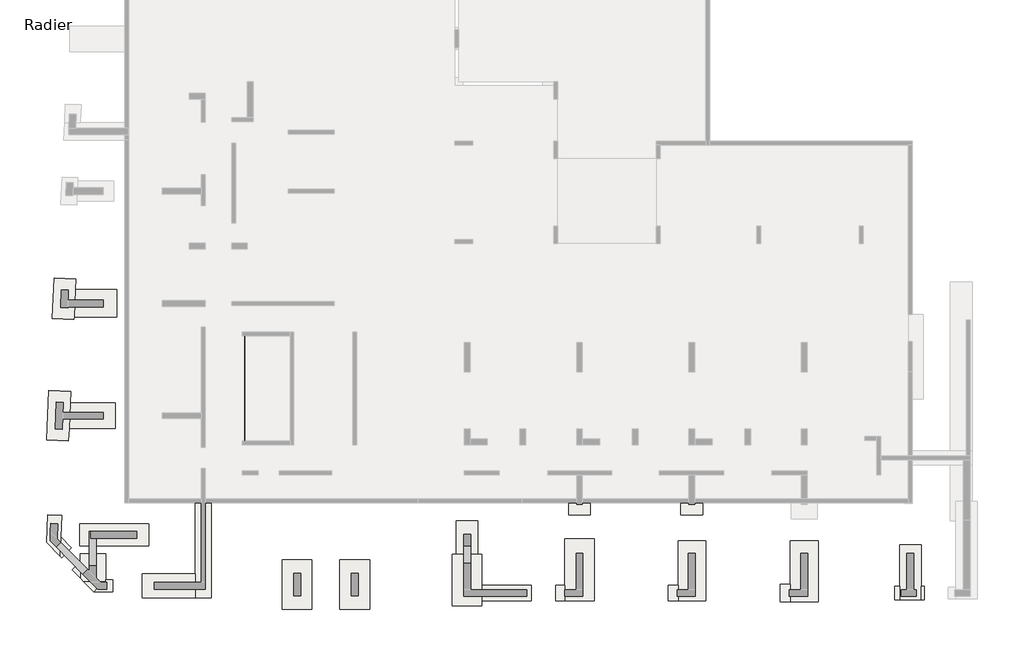
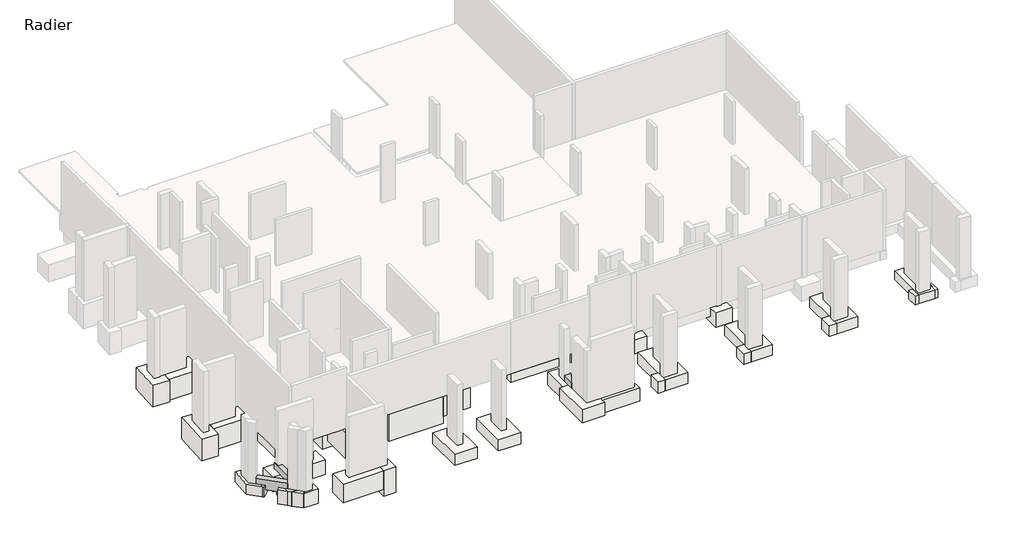
# One storey, part 4 of 5: 49 footings, 8 beams, 2 slabs.
"""IFC4 building model written with IfcOpenShell, lengths in millimetres."""

from ifc_helpers import new_model, si_unit, frame, origin, place, context, project, spatial, polyline, outline, extrude, faceted_brep, element, save

model = new_model("IFC4")

# Units and contexts
model_context = context("Model", 3, world=origin())
ifc_project = project(units=[si_unit("LENGTHUNIT", "METRE", prefix="MILLI")], contexts=[model_context])

# Site, building, storey
site = spatial("IfcSite", under=ifc_project)
building = spatial("IfcBuilding", under=site)
storey = spatial("IfcBuildingStorey", under=building, Name="Radier", Elevation=-3900.0)

# Beams
placement = place(None, origin())
element("IfcBeam", 1, ObjectType="VF. 20/190", at=placement, inside=storey, context=model_context, shape_type="Brep", body=[
    faceted_brep([(-34745.6912908, -6244.0672499, -4050.0), (-34745.6912908, -11559.0672499, -4050.0), (-34745.6912908, -11559.0672499, -5600.0), (-34745.6912908, -11559.0672499, -5750.0), (-34745.6912908, -11559.0672499, -5800.0), (-34745.6912908, -6244.0672499, -5800.0), (-34745.6912908, -6244.0672499, -5750.0), (-34745.6912908, -6244.0672499, -5600.0), (-34945.6912908, -11759.0672499, -5800.0), (-34945.6912908, -6044.0672499, -5800.0), (-34865.6912908, -6044.0672499, -5800.0), (-34865.6912908, -6244.0672499, -5800.0), (-34865.6912908, -11559.0672499, -5800.0), (-34865.6912908, -11759.0672499, -5800.0), (-34945.6912908, -11759.0672499, -4050.0), (-34945.6912908, -6044.0672499, -4050.0), (-34865.6912908, -11759.0672499, -4050.0), (-34865.6912908, -11559.0672499, -4050.0), (-34865.6912908, -6244.0672499, -4050.0), (-34865.6912908, -6044.0672499, -4050.0)], [[[0, 1, 2, 3, 4, 5, 6, 7]], [[8, 9, 10, 11, 5, 4, 12, 13]], [[14, 15, 9, 8]], [[15, 14, 16, 17, 1, 0, 18, 19]], [[9, 15, 19, 10]], [[14, 8, 13, 16]], [[11, 18, 0, 7, 6, 5]], [[18, 11, 10, 19]], [[17, 12, 4, 3, 2, 1]], [[12, 17, 16, 13]]]),
])
element("IfcBeam", 2, ObjectType="VF. 20/40", at=placement, inside=storey, context=model_context, shape_type="SweptSolid", body=[
    extrude(outline(polyline([(-36935.6912908, -11889.0672499), (-36735.6912908, -11889.0672499), (-36735.6912908, -12949.0672499), (-36935.6912908, -12949.0672499), (-36935.6912908, -11889.0672499)])), frame((0.0, 0.0, -4300.0), z_axis=(0.0, 0.0, 1.0), x_axis=(1.0, 0.0, 0.0)), (0.0, 0.0, 1.0), 250.0),
])
element("IfcBeam", 3, ObjectType="VF. 20/40", at=placement, inside=storey, context=model_context, shape_type="SweptSolid", body=[
    extrude(outline(polyline([(-32995.6912908, -13079.0672499), (-32995.6912908, -13279.0672499), (-34055.6912908, -13279.0672499), (-34055.6912908, -13079.0672499), (-32995.6912908, -13079.0672499)])), frame((0.0, 0.0, -4300.0), z_axis=(0.0, 0.0, 1.0), x_axis=(1.0, 0.0, 0.0)), (0.0, 0.0, 1.0), 250.0),
])
element("IfcBeam", 4, ObjectType="VF. 20/40", at=placement, inside=storey, context=model_context, shape_type="SweptSolid", body=[
    extrude(outline(polyline([(-35405.6912908, -4489.0672499), (-35405.6912908, -4689.0672499), (-36735.6912908, -4689.0672499), (-36735.6912908, -4489.0672499), (-35405.6912908, -4489.0672499)])), frame((0.0, 0.0, -4300.0), z_axis=(0.0, 0.0, 1.0), x_axis=(1.0, 0.0, 0.0)), (0.0, 0.0, 1.0), 250.0),
])
element("IfcBeam", 5, ObjectType="VF. 30/40", at=placement, inside=storey, context=model_context, shape_type="SweptSolid", body=[
    extrude(outline(polyline([(-35405.6912908, -1544.0672499), (-35405.6912908, -1844.0672499), (-36735.6912908, -1844.0672499), (-36735.6912908, -1544.0672499), (-35405.6912908, -1544.0672499)])), frame((0.0, 0.0, -4300.0), z_axis=(0.0, 0.0, 1.0), x_axis=(1.0, 0.0, 0.0)), (0.0, 0.0, 1.0), 250.0),
])
element("IfcBeam", 6, ObjectType="VF. 35/40", at=placement, inside=storey, context=model_context, shape_type="SweptSolid", body=[
    extrude(outline(polyline([(-42250.6912908, -17889.0672499), (-42600.6912908, -17889.0672499), (-42600.6912908, -16144.0672499), (-42525.6912908, -16144.0672499), (-42525.6912908, -16494.0672499), (-42250.6912908, -16494.0672499), (-42250.6912908, -17889.0672499)])), frame((0.0, 0.0, -4300.0), z_axis=(0.0, 0.0, 1.0), x_axis=(1.0, 0.0, 0.0)), (0.0, 0.0, 1.0), 400.0),
])
element("IfcBeam", 7, ObjectType="VF. 35/40", at=placement, inside=storey, context=model_context, shape_type="SweptSolid", body=[
    extrude(outline(polyline([(-23650.6912908, -16879.0672499), (-23300.6912908, -16879.0672499), (-23300.6912908, -17759.0672499), (-23650.6912908, -17759.0672499), (-23650.6912908, -16879.0672499)])), frame((0.0, 0.0, -4300.0), z_axis=(0.0, 0.0, 1.0), x_axis=(1.0, 0.0, 0.0)), (0.0, 0.0, 1.0), 400.0),
])
element("IfcBeam", 8, ObjectType="VF. 35/70", at=placement, inside=storey, context=model_context, shape_type="Brep", body=[
    faceted_brep([(-42683.933067, -18072.0990181, -3900.0), (-42932.9248767, -18318.0727539, -3900.0), (-42932.9248767, -18318.0727539, -4300.0), (-42683.933067, -18072.0990181, -4300.0), (-44296.322155, -16937.9467228, -3900.0), (-44047.3303452, -16691.972987, -3900.0), (-44047.3303452, -16691.972987, -4300.0), (-44296.322155, -16937.9467228, -4300.0), (-43888.1193718, -17351.1581147, -4300.0), (-43888.1193718, -17351.1581147, -4600.0), (-43312.5552464, -17933.7843563, -4600.0), (-43312.5552464, -17933.7843563, -4300.0), (-43075.6912908, -17675.5339587, -4600.0), (-43075.6912908, -17699.7914708, -4600.0), (-43639.127562, -17105.1843789, -4600.0), (-43075.6912908, -17675.5339587, -4300.0), (-43639.127562, -17105.1843789, -4300.0), (-43075.6912908, -17699.7914708, -4300.0)], [[[0, 1, 2, 3]], [[4, 5, 6, 7]], [[1, 4, 7, 8, 9, 10, 11, 2]], [[12, 13, 10, 9, 14]], [[5, 0, 3, 15, 12, 14, 16, 6]], [[1, 0, 5, 4]], [[3, 2, 11, 17, 15]], [[12, 15, 17, 13]], [[16, 8, 7, 6]], [[17, 11, 10, 13]], [[8, 16, 14, 9]]]),
])

# Footings
element("IfcFooting", 9, at=placement, inside=storey, context=model_context, shape_type="Brep", body=[
    faceted_brep([(-33870.6912908, -2444.0672499, -4300.0), (-33870.6912908, -2444.0672499, -6200.0), (-33870.6912908, -944.0672499, -6200.0), (-33870.6912908, -944.0672499, -4300.0), (-38270.6912908, -2444.0672499, -6200.0), (-38270.6912908, -2444.0672499, -4300.0), (-38270.6912908, -944.0672499, -4300.0), (-38270.6912908, -944.0672499, -6200.0), (-34605.6912908, -944.0672499, -4300.0), (-34605.6912908, -994.0672499, -4300.0), (-36005.6912908, -994.0672499, -4300.0), (-36005.6912908, -944.0672499, -4300.0), (-36005.6912908, -944.0672499, -5700.0), (-34605.6912908, -944.0672499, -5700.0), (-36005.6912908, -994.0672499, -5700.0), (-34605.6912908, -994.0672499, -5700.0)], [[[0, 1, 2, 3]], [[4, 5, 6, 7]], [[5, 0, 3, 8, 9, 10, 11, 6]], [[1, 0, 5, 4]], [[2, 1, 4, 7]], [[3, 2, 7, 6, 11, 12, 13, 8]], [[14, 10, 9, 15]], [[10, 14, 12, 11]], [[14, 15, 13, 12]], [[15, 9, 8, 13]]]),
])
element("IfcFooting", 10, at=placement, inside=storey, context=model_context, shape_type="SweptSolid", body=[
    extrude(outline(polyline([(-43381.4763941, -5289.0672499), (-43317.9655169, -3889.0672499), (-41225.3123193, -3889.0672499), (-41225.3123193, -5289.0672499), (-43381.4763941, -5289.0672499)])), frame((0.0, 0.0, -5800.0), z_axis=(0.0, 0.0, 1.0), x_axis=(1.0, 0.0, 0.0)), (0.0, 0.0, 1.0), 1500.0),
])
element("IfcFooting", 11, at=placement, inside=storey, context=model_context, shape_type="Brep", body=[
    faceted_brep([(-36735.6912908, -3739.0672499, -4300.0), (-36735.6912908, -5439.0672499, -4300.0), (-36735.6912908, -5439.0672499, -6300.0), (-36735.6912908, -3739.0672499, -6300.0), (-39855.6912908, -5439.0672499, -4300.0), (-39855.6912908, -3739.0672499, -4300.0), (-39855.6912908, -3739.0672499, -6300.0), (-39855.6912908, -5439.0672499, -6300.0), (-37585.6912908, -5439.0672499, -4300.0), (-37585.6912908, -5439.0672499, -6300.0), (-37585.6912908, -3739.0672499, -6300.0)], [[[0, 1, 2, 3]], [[4, 5, 6, 7]], [[0, 5, 4, 8, 1]], [[2, 1, 8, 4, 7, 9]], [[3, 2, 9, 7, 6, 10]], [[0, 3, 10, 6, 5]]]),
])
element("IfcFooting", 12, at=placement, inside=storey, context=model_context, shape_type="Brep", body=[
    faceted_brep([(-37585.6912908, -3739.0672499, -6800.0), (-37585.6912908, -5439.0672499, -6800.0), (-37585.6912908, -5439.0672499, -6600.0), (-37585.6912908, -5439.0672499, -6300.0), (-37585.6912908, -3739.0672499, -6300.0), (-30065.6912908, -3739.0672499, -6800.0), (-30065.6912908, -3739.0672499, -6300.0), (-30065.6912908, -3739.0672499, -4300.0), (-30065.6912908, -5439.0672499, -4300.0), (-30065.6912908, -5439.0672499, -6800.0), (-36735.6912908, -3739.0672499, -4300.0), (-36735.6912908, -4489.0672499, -4300.0), (-36735.6912908, -4689.0672499, -4300.0), (-36735.6912908, -5439.0672499, -4300.0), (-36085.6912908, -5439.0672499, -4300.0), (-36735.6912908, -3739.0672499, -6300.0), (-36735.6912908, -5439.0672499, -6300.0)], [[[0, 1, 2, 3, 4]], [[5, 6, 7, 8, 9]], [[8, 7, 10, 11, 12, 13, 14]], [[7, 6, 5, 0, 4, 15, 10]], [[1, 0, 5, 9]], [[9, 8, 14, 13, 16, 3, 2, 1]], [[15, 16, 13, 12, 11, 10]], [[16, 15, 4, 3]]]),
])
element("IfcFooting", 13, at=placement, inside=storey, context=model_context, shape_type="Brep", body=[
    faceted_brep([(-36085.6912908, -12999.0672499, -4300.0), (-36435.6912908, -12999.0672499, -4300.0), (-37235.6912908, -12999.0672499, -4300.0), (-37585.6912908, -12999.0672499, -4300.0), (-37585.6912908, -12999.0672499, -6600.0), (-36085.6912908, -12999.0672499, -6600.0), (-37585.6912908, -5439.0672499, -4300.0), (-36735.6912908, -5439.0672499, -4300.0), (-36085.6912908, -5439.0672499, -4300.0), (-36085.6912908, -5439.0672499, -6600.0), (-37585.6912908, -5439.0672499, -6600.0), (-37585.6912908, -5439.0672499, -6300.0), (-37585.6912908, -9529.0672499, -4300.0), (-37585.6912908, -11029.0672499, -4300.0)], [[[0, 1, 2, 3, 4, 5]], [[6, 7, 8, 9, 10, 11]], [[0, 8, 7, 6, 12, 13, 3, 2, 1]], [[4, 3, 13, 12, 6, 11, 10]], [[5, 4, 10, 9]], [[0, 5, 9, 8]]]),
])
element("IfcFooting", 14, at=placement, inside=storey, context=model_context, shape_type="SweptSolid", body=[
    extrude(outline(polyline([(-39555.6912908, -11029.0672499), (-39555.6912908, -9529.0672499), (-37585.6912908, -9529.0672499), (-37585.6912908, -11029.0672499), (-39555.6912908, -11029.0672499)])), frame((0.0, 0.0, -6100.0), z_axis=(0.0, 0.0, 1.0), x_axis=(1.0, 0.0, 0.0)), (0.0, 0.0, 1.0), 1800.0),
])
element("IfcFooting", 15, at=placement, inside=storey, context=model_context, shape_type="SweptSolid", body=[
    extrude(outline(polyline([(-43637.3344995, -10929.0672499), (-43578.3601135, -9629.0672499), (-41283.4386703, -9629.0672499), (-41283.4386703, -10929.0672499), (-43637.3344995, -10929.0672499)])), frame((0.0, 0.0, -5800.0), z_axis=(0.0, 0.0, 1.0), x_axis=(1.0, 0.0, 0.0)), (0.0, 0.0, 1.0), 1500.0),
])
element("IfcFooting", 16, at=placement, inside=storey, context=model_context, shape_type="Brep", body=[
    faceted_brep([(-28265.6912908, -13979.0672499, -4300.0), (-30065.6912908, -13979.0672499, -4300.0), (-30065.6912908, -13979.0672499, -6300.0), (-28265.6912908, -13979.0672499, -6300.0), (-30065.6912908, -3739.0672499, -4300.0), (-28265.6912908, -3739.0672499, -4300.0), (-28265.6912908, -3739.0672499, -6300.0), (-30065.6912908, -3739.0672499, -6300.0), (-30065.6912908, -5439.0672499, -4300.0), (-30065.6912908, -12379.0672499, -4300.0)], [[[0, 1, 2, 3]], [[4, 5, 6, 7]], [[0, 5, 4, 8, 9, 1]], [[2, 1, 9, 8, 4, 7]], [[3, 2, 7, 6]], [[0, 3, 6, 5]]]),
])
element("IfcFooting", 17, at=placement, inside=storey, context=model_context, shape_type="Brep", body=[
    faceted_brep([(-30065.6912908, -12379.0672499, -4300.0), (-30065.6912908, -13979.0672499, -4300.0), (-30065.6912908, -13979.0672499, -6300.0), (-30065.6912908, -13979.0672499, -6800.0), (-30065.6912908, -12379.0672499, -6800.0), (-33715.6912908, -13979.0672499, -4300.0), (-33715.6912908, -13629.0672499, -4300.0), (-33715.6912908, -12729.0672499, -4300.0), (-33715.6912908, -12379.0672499, -4300.0), (-33715.6912908, -12379.0672499, -6800.0), (-33715.6912908, -12729.0672499, -6800.0), (-33715.6912908, -13629.0672499, -6800.0), (-33715.6912908, -13979.0672499, -6800.0)], [[[0, 1, 2, 3, 4]], [[5, 6, 7, 8, 9, 10, 11, 12]], [[0, 8, 7, 6, 5, 1]], [[3, 2, 1, 5, 12]], [[4, 3, 12, 11, 10, 9]], [[0, 4, 9, 8]]]),
])
element("IfcFooting", 18, at=placement, inside=storey, context=model_context, shape_type="SweptSolid", body=[
    extrude(outline(polyline([(-35215.6912908, -13629.0672499), (-35215.6912908, -12729.0672499), (-33715.6912908, -12729.0672499), (-33715.6912908, -13629.0672499), (-35215.6912908, -13629.0672499)])), frame((0.0, 0.0, -6800.0), z_axis=(0.0, 0.0, 1.0), x_axis=(1.0, 0.0, 0.0)), (0.0, 0.0, 1.0), 2500.0),
])
element("IfcFooting", 19, at=placement, inside=storey, context=model_context, shape_type="Brep", body=[
    faceted_brep([(-35245.6912908, -6794.0672499, -5800.0), (-35245.6912908, -5494.0672499, -5800.0), (-35245.6912908, -5494.0672499, -6800.0), (-35245.6912908, -6794.0672499, -6800.0), (-32345.6912908, -5494.0672499, -5800.0), (-32345.6912908, -6794.0672499, -5800.0), (-32345.6912908, -6794.0672499, -6800.0), (-32345.6912908, -5494.0672499, -6800.0), (-33045.6912908, -6794.0672499, -5800.0), (-33045.6912908, -6794.0672499, -6800.0)], [[[0, 1, 2, 3]], [[4, 5, 6, 7]], [[0, 8, 5, 4, 1]], [[2, 1, 4, 7]], [[3, 2, 7, 6, 9]], [[0, 3, 9, 6, 5, 8]]]),
])
element("IfcFooting", 20, at=placement, inside=storey, context=model_context, shape_type="Brep", body=[
    faceted_brep([(-31645.6912908, -5494.0672499, -5800.0), (-31645.6912908, -5494.0672499, -6800.0), (-32345.6912908, -5494.0672499, -6800.0), (-32345.6912908, -5494.0672499, -5800.0), (-31645.6912908, -12059.0672499, -5800.0), (-32345.6912908, -6794.0672499, -5800.0), (-33045.6912908, -6794.0672499, -5800.0), (-33045.6912908, -11259.0672499, -5800.0), (-33045.6912908, -12059.0672499, -5800.0), (-33045.6912908, -12059.0672499, -6800.0), (-33045.6912908, -6794.0672499, -6800.0), (-33045.6912908, -11259.0672499, -6800.0), (-31645.6912908, -12059.0672499, -6800.0), (-32345.6912908, -6794.0672499, -6800.0)], [[[0, 1, 2, 3]], [[4, 0, 3, 5, 6, 7, 8]], [[9, 8, 7, 6, 10, 11]], [[1, 12, 9, 11, 10, 13, 2]], [[1, 0, 4, 12]], [[13, 5, 3, 2]], [[5, 13, 10, 6]], [[4, 8, 9, 12]]]),
])
element("IfcFooting", 21, at=placement, inside=storey, context=model_context, shape_type="SweptSolid", body=[
    extrude(outline(polyline([(-35245.6912908, -12059.0672499), (-35245.6912908, -11259.0672499), (-33045.6912908, -11259.0672499), (-33045.6912908, -12059.0672499), (-35245.6912908, -12059.0672499)])), frame((0.0, 0.0, -6800.0), z_axis=(0.0, 0.0, 1.0), x_axis=(1.0, 0.0, 0.0)), (0.0, 0.0, 1.0), 1000.0),
])
element("IfcFooting", 22, at=placement, inside=storey, context=model_context, shape_type="Brep", body=[
    faceted_brep([(-41775.6912908, -18690.656629, -5300.0), (-41775.6912908, -18690.656629, -4300.0), (-41928.2567405, -18690.656629, -4300.0), (-42881.1326203, -18690.656629, -4300.0), (-42881.1326203, -18690.656629, -5300.0), (-41928.2567405, -18690.656629, -5300.0), (-43075.6912908, -17289.0672499, -5300.0), (-43075.6912908, -17289.0672499, -4300.0), (-41775.6912908, -17289.0672499, -4300.0), (-41775.6912908, -17289.0672499, -5300.0), (-41775.6912908, -18599.0672499, -4300.0), (-43075.6912908, -17675.5339587, -4300.0), (-43075.6912908, -17699.7914708, -4300.0), (-43075.6912908, -18493.7107424, -4300.0), (-43075.6912908, -17699.7914708, -5300.0), (-43075.6912908, -18493.7107424, -5300.0), (-41775.6912908, -18599.0672499, -5300.0)], [[[0, 1, 2, 3, 4, 5]], [[6, 7, 8, 9]], [[1, 10, 8, 7, 11, 12, 13, 3, 2]], [[7, 6, 14, 15, 13, 12, 11]], [[6, 9, 16, 0, 5, 4, 15, 14]], [[1, 0, 16, 9, 8, 10]], [[4, 3, 13, 15]]]),
])
element("IfcFooting", 23, at=placement, inside=storey, context=model_context, shape_type="Brep", body=[
    faceted_brep([(-37235.6912908, -19499.0672499, -4300.0), (-36435.6912908, -19499.0672499, -4300.0), (-36435.6912908, -12999.0672499, -4300.0), (-37235.6912908, -12999.0672499, -4300.0), (-37235.6912908, -18299.0672499, -4300.0), (-37235.6912908, -19499.0672499, -6100.0), (-37235.6912908, -19499.0672499, -5600.0), (-37235.6912908, -12999.0672499, -6100.0), (-36435.6912908, -19499.0672499, -6100.0), (-36435.6912908, -12999.0672499, -6100.0)], [[[0, 1, 2, 3, 4]], [[5, 6, 0, 4, 3, 7]], [[8, 5, 7, 9]], [[1, 8, 9, 2]], [[1, 0, 6, 5, 8]], [[3, 2, 9, 7]]]),
])
element("IfcFooting", 24, at=placement, inside=storey, context=model_context, shape_type="SweptSolid", body=[
    extrude(outline(polyline([(-31335.6912908, -20094.0672499), (-32835.6912908, -20094.0672499), (-32835.6912908, -17594.0672499), (-31335.6912908, -17594.0672499), (-31335.6912908, -20094.0672499)])), frame((0.0, 0.0, -5100.0), z_axis=(0.0, 0.0, 1.0), x_axis=(1.0, 0.0, 0.0)), (0.0, 0.0, 1.0), 800.0),
])
element("IfcFooting", 25, at=placement, inside=storey, context=model_context, shape_type="SweptSolid", body=[
    extrude(outline(polyline([(-28415.6912908, -20094.0672499), (-29915.6912908, -20094.0672499), (-29915.6912908, -17594.0672499), (-28415.6912908, -17594.0672499), (-28415.6912908, -20094.0672499)])), frame((0.0, 0.0, -5100.0), z_axis=(0.0, 0.0, 1.0), x_axis=(1.0, 0.0, 0.0)), (0.0, 0.0, 1.0), 800.0),
])
element("IfcFooting", 26, at=placement, inside=storey, context=model_context, shape_type="Brep", body=[
    faceted_brep([(-22725.6912908, -19919.0672499, -4300.0), (-24225.6912908, -19919.0672499, -4300.0), (-24225.6912908, -19919.0672499, -5200.0), (-22725.6912908, -19919.0672499, -5200.0), (-24225.6912908, -17319.0672499, -4300.0), (-24025.6912908, -17319.0672499, -4300.0), (-22925.6912908, -17319.0672499, -4300.0), (-22725.6912908, -17319.0672499, -4300.0), (-22725.6912908, -17319.0672499, -5200.0), (-22925.6912908, -17319.0672499, -5200.0), (-24025.6912908, -17319.0672499, -5200.0), (-24225.6912908, -17319.0672499, -5200.0), (-22725.6912908, -19669.0672499, -4300.0), (-22725.6912908, -18869.0672499, -4300.0), (-22725.6912908, -18869.0672499, -5200.0), (-22725.6912908, -19669.0672499, -5200.0)], [[[0, 1, 2, 3]], [[4, 5, 6, 7, 8, 9, 10, 11]], [[0, 12, 13, 7, 6, 5, 4, 1]], [[2, 1, 4, 11]], [[3, 2, 11, 10, 9, 8, 14, 15]], [[0, 3, 15, 14, 8, 7, 13, 12]]]),
])
element("IfcFooting", 27, at=placement, inside=storey, context=model_context, shape_type="SweptSolid", body=[
    extrude(outline(polyline([(-22925.6912908, -17319.0672499), (-24025.6912908, -17319.0672499), (-24025.6912908, -15619.0672499), (-22925.6912908, -15619.0672499), (-22925.6912908, -17319.0672499)])), frame((0.0, 0.0, -5200.0), z_axis=(0.0, 0.0, 1.0), x_axis=(1.0, 0.0, 0.0)), (0.0, 0.0, 1.0), 900.0),
])
element("IfcFooting", 28, at=placement, inside=storey, context=model_context, shape_type="Brep", body=[
    faceted_brep([(-18535.6912908, -16519.0672499, -4300.0), (-17035.6912908, -16519.0672499, -4300.0), (-17035.6912908, -16519.0672499, -5100.0), (-18535.6912908, -16519.0672499, -5100.0), (-17035.6912908, -19669.0672499, -4300.0), (-18535.6912908, -18869.0672499, -4300.0), (-18535.6912908, -19669.0672499, -4300.0), (-18535.6912908, -19669.0672499, -5100.0), (-18535.6912908, -18869.0672499, -5100.0), (-17035.6912908, -19669.0672499, -5100.0)], [[[0, 1, 2, 3]], [[4, 1, 0, 5, 6]], [[7, 6, 5, 0, 3, 8]], [[9, 7, 8, 3, 2]], [[4, 9, 2, 1]], [[4, 6, 7, 9]]]),
])
element("IfcFooting", 29, at=placement, inside=storey, context=model_context, shape_type="Brep", body=[
    faceted_brep([(-12795.6912908, -16619.0672499, -4300.0), (-11395.6912908, -16619.0672499, -4300.0), (-11395.6912908, -16619.0672499, -5050.0), (-12795.6912908, -16619.0672499, -5050.0), (-11395.6912908, -19669.0672499, -4300.0), (-12795.6912908, -18869.0672499, -4300.0), (-12795.6912908, -19669.0672499, -4300.0), (-12795.6912908, -19669.0672499, -5050.0), (-12795.6912908, -18869.0672499, -5050.0), (-11395.6912908, -19669.0672499, -5050.0)], [[[0, 1, 2, 3]], [[4, 1, 0, 5, 6]], [[7, 6, 5, 0, 3, 8]], [[9, 7, 8, 3, 2]], [[4, 9, 2, 1]], [[4, 6, 7, 9]]]),
])
element("IfcFooting", 30, at=placement, inside=storey, context=model_context, shape_type="Brep", body=[
    faceted_brep([(-7105.6912908, -16619.0672499, -4300.0), (-5705.6912908, -16619.0672499, -4300.0), (-5705.6912908, -16619.0672499, -5050.0), (-7105.6912908, -16619.0672499, -5050.0), (-5705.6912908, -19719.0672499, -4300.0), (-7105.6912908, -18819.0672499, -4300.0), (-7105.6912908, -19719.0672499, -4300.0), (-7105.6912908, -19719.0672499, -5050.0), (-7105.6912908, -18819.0672499, -5050.0), (-5705.6912908, -19719.0672499, -5050.0)], [[[0, 1, 2, 3]], [[4, 1, 0, 5, 6]], [[7, 6, 5, 0, 3, 8]], [[9, 7, 8, 3, 2]], [[4, 9, 2, 1]], [[4, 6, 7, 9]]]),
])
element("IfcFooting", 31, at=placement, inside=storey, context=model_context, shape_type="Brep", body=[
    faceted_brep([(-1575.6912908, -16819.0672499, -4300.0), (-475.6912908, -16819.0672499, -4300.0), (-475.6912908, -16819.0672499, -4900.0), (-1575.6912908, -16819.0672499, -4900.0), (-475.6912908, -19619.0672499, -4300.0), (-475.6912908, -18919.0672499, -4300.0), (-1575.6912908, -18919.0672499, -4300.0), (-1575.6912908, -19619.0672499, -4300.0), (-1575.6912908, -19619.0672499, -4900.0), (-1575.6912908, -18919.0672499, -4900.0), (-475.6912908, -19619.0672499, -4900.0), (-475.6912908, -18919.0672499, -4900.0)], [[[0, 1, 2, 3]], [[4, 5, 1, 0, 6, 7]], [[8, 7, 6, 0, 3, 9]], [[10, 8, 9, 3, 2, 11]], [[4, 10, 11, 2, 1, 5]], [[4, 7, 8, 10]]]),
])
element("IfcFooting", 32, at=placement, inside=storey, context=model_context, shape_type="SweptSolid", body=[
    extrude(outline(polyline([(-21183.1912908, -12529.0672499), (-21183.1912908, -13829.0672499), (-24293.1912908, -13829.0672499), (-24293.1912908, -12529.0672499), (-21183.1912908, -12529.0672499)])), frame((0.0, 0.0, -5300.0), z_axis=(0.0, 0.0, 1.0), x_axis=(1.0, 0.0, 0.0)), (0.0, 0.0, 1.0), 1000.0),
])
element("IfcFooting", 33, at=placement, inside=storey, context=model_context, shape_type="Brep", body=[
    faceted_brep([(-15635.6912908, -12629.0672499, -4300.0), (-15635.6912908, -13729.0672499, -4300.0), (-15635.6912908, -13729.0672499, -5300.0), (-15635.6912908, -12629.0672499, -5300.0), (-19910.6912908, -13729.0672499, -4300.0), (-19910.6912908, -12629.0672499, -4300.0), (-19910.6912908, -12629.0672499, -5300.0), (-19910.6912908, -13729.0672499, -5300.0), (-18335.6912908, -13729.0672499, -4300.0), (-17235.6912908, -13729.0672499, -4300.0), (-18335.6912908, -13729.0672499, -5300.0), (-17235.6912908, -13729.0672499, -5300.0)], [[[0, 1, 2, 3]], [[4, 5, 6, 7]], [[0, 5, 4, 8, 9, 1]], [[2, 1, 9, 8, 4, 7, 10, 11]], [[3, 2, 11, 10, 7, 6]], [[0, 3, 6, 5]]]),
])
element("IfcFooting", 34, at=placement, inside=storey, context=model_context, shape_type="Brep", body=[
    faceted_brep([(-18335.6912908, -15314.0672499, -4300.0), (-18335.6912908, -15314.0672499, -5300.0), (-17235.6912908, -15314.0672499, -5300.0), (-17235.6912908, -15314.0672499, -4300.0), (-17235.6912908, -14699.0672499, -4300.0), (-17235.6912908, -14299.0672499, -4300.0), (-17235.6912908, -13729.0672499, -4300.0), (-18335.6912908, -13729.0672499, -4300.0), (-18335.6912908, -14299.0672499, -4300.0), (-18335.6912908, -14699.0672499, -4300.0), (-18335.6912908, -13729.0672499, -5300.0), (-17235.6912908, -13729.0672499, -5300.0)], [[[0, 1, 2, 3]], [[0, 3, 4, 5, 6, 7, 8, 9]], [[1, 0, 9, 8, 7, 10]], [[2, 1, 10, 11]], [[3, 2, 11, 6, 5, 4]], [[7, 6, 11, 10]]]),
])
element("IfcFooting", 35, at=placement, inside=storey, context=model_context, shape_type="Brep", body=[
    faceted_brep([(-11545.6912908, -15314.0672499, -4300.0), (-12645.6912908, -15314.0672499, -4300.0), (-12645.6912908, -15314.0672499, -5300.0), (-11545.6912908, -15314.0672499, -5300.0), (-11545.6912908, -14699.0672499, -4300.0), (-11545.6912908, -14299.0672499, -4300.0), (-11545.6912908, -13679.0672499, -4300.0), (-11545.6912908, -12679.0672499, -4300.0), (-12645.6912908, -12679.0672499, -4300.0), (-12645.6912908, -13679.0672499, -4300.0), (-12645.6912908, -14299.0672499, -4300.0), (-12645.6912908, -14699.0672499, -4300.0), (-12645.6912908, -12679.0672499, -5300.0), (-12645.6912908, -13679.0672499, -5300.0), (-11545.6912908, -12679.0672499, -5300.0), (-11545.6912908, -13679.0672499, -5300.0)], [[[0, 1, 2, 3]], [[0, 4, 5, 6, 7, 8, 9, 10, 11, 1]], [[2, 1, 11, 10, 9, 8, 12, 13]], [[3, 2, 13, 12, 14, 15]], [[0, 3, 15, 14, 7, 6, 5, 4]], [[8, 7, 14, 12]]]),
])
element("IfcFooting", 36, at=placement, inside=storey, context=model_context, shape_type="Brep", body=[
    faceted_brep([(-24275.6912908, -10159.0672499, -4300.0), (-22675.6912908, -10159.0672499, -4300.0), (-22675.6912908, -10159.0672499, -5300.0), (-24275.6912908, -10159.0672499, -5300.0), (-24275.6912908, -12459.0672499, -4300.0), (-22675.6912908, -12459.0672499, -4300.0), (-22675.6912908, -10759.0672499, -4300.0), (-22675.6912908, -12459.0672499, -5300.0), (-22675.6912908, -10759.0672499, -5300.0), (-24275.6912908, -12459.0672499, -5300.0)], [[[0, 1, 2, 3]], [[0, 4, 5, 6, 1]], [[2, 1, 6, 5, 7, 8]], [[3, 2, 8, 7, 9]], [[0, 3, 9, 4]], [[5, 4, 9, 7]]]),
])
element("IfcFooting", 37, at=placement, inside=storey, context=model_context, shape_type="SweptSolid", body=[
    extrude(outline(polyline([(-19900.6912908, -12409.0672499), (-21400.6912908, -12409.0672499), (-21400.6912908, -10309.0672499), (-19900.6912908, -10309.0672499), (-19900.6912908, -12409.0672499)])), frame((0.0, 0.0, -5300.0), z_axis=(0.0, 0.0, 1.0), x_axis=(1.0, 0.0, 0.0)), (0.0, 0.0, 1.0), 1000.0),
])
element("IfcFooting", 38, at=placement, inside=storey, context=model_context, shape_type="Brep", body=[
    faceted_brep([(-18635.6912908, -10159.0672499, -4300.0), (-16935.6912908, -10159.0672499, -4300.0), (-16935.6912908, -10159.0672499, -5300.0), (-18635.6912908, -10159.0672499, -5300.0), (-18635.6912908, -12409.0672499, -4300.0), (-16935.6912908, -12409.0672499, -4300.0), (-16935.6912908, -10809.0672499, -4300.0), (-16935.6912908, -12409.0672499, -5300.0), (-16935.6912908, -10809.0672499, -5300.0), (-18635.6912908, -12409.0672499, -5300.0)], [[[0, 1, 2, 3]], [[0, 4, 5, 6, 1]], [[2, 1, 6, 5, 7, 8]], [[3, 2, 8, 7, 9]], [[0, 3, 9, 4]], [[5, 4, 9, 7]]]),
])
element("IfcFooting", 39, at=placement, inside=storey, context=model_context, shape_type="SweptSolid", body=[
    extrude(outline(polyline([(-24625.6912908, -5409.0672499), (-22325.6912908, -5409.0672499), (-22325.6912908, -9209.0672499), (-24625.6912908, -9209.0672499), (-24625.6912908, -5409.0672499)])), frame((0.0, 0.0, -5550.0), z_axis=(0.0, 0.0, 1.0), x_axis=(1.0, 0.0, 0.0)), (0.0, 0.0, 1.0), 1250.0),
])
element("IfcFooting", 40, at=placement, inside=storey, context=model_context, shape_type="SweptSolid", body=[
    extrude(outline(polyline([(-18935.6912908, -5409.0672499), (-16635.6912908, -5409.0672499), (-16635.6912908, -9209.0672499), (-18935.6912908, -9209.0672499), (-18935.6912908, -5409.0672499)])), frame((0.0, 0.0, -5550.0), z_axis=(0.0, 0.0, 1.0), x_axis=(1.0, 0.0, 0.0)), (0.0, 0.0, 1.0), 1250.0),
])
element("IfcFooting", 41, at=placement, inside=storey, context=model_context, shape_type="SweptSolid", body=[
    extrude(outline(polyline([(-40405.6912908, -14699.0672499), (-40805.6912908, -14699.0672499), (-40805.6912908, 3675.9327501), (-40405.6912908, 3675.9327501), (-40405.6912908, -14699.0672499)])), frame((0.0, 0.0, -6000.0), z_axis=(0.0, 0.0, 1.0), x_axis=(1.0, 0.0, 0.0)), (0.0, 0.0, 1.0), 600.0),
])
element("IfcFooting", 42, at=placement, inside=storey, context=model_context, shape_type="SweptSolid", body=[
    extrude(outline(polyline([(-43105.6912908, -16869.0672499), (-43105.6912908, -15769.0672499), (-39605.6912908, -15769.0672499), (-39605.6912908, -16869.0672499), (-43105.6912908, -16869.0672499)])), frame((0.0, 0.0, -5300.0), z_axis=(0.0, 0.0, 1.0), x_axis=(1.0, 0.0, 0.0)), (0.0, 0.0, 1.0), 1000.0),
])
element("IfcFooting", 43, at=placement, inside=storey, context=model_context, shape_type="SweptSolid", body=[
    extrude(outline(polyline([(-21775.6912908, -10759.0672499), (-21775.6912908, -12459.0672499), (-22675.6912908, -12459.0672499), (-22675.6912908, -10759.0672499), (-21775.6912908, -10759.0672499)])), frame((0.0, 0.0, -5300.0), z_axis=(0.0, 0.0, 1.0), x_axis=(1.0, 0.0, 0.0)), (0.0, 0.0, 1.0), 1000.0),
])
element("IfcFooting", 44, at=placement, inside=storey, context=model_context, shape_type="SweptSolid", body=[
    extrude(outline(polyline([(-15985.6912908, -10809.0672499), (-15985.6912908, -12409.0672499), (-16935.6912908, -12409.0672499), (-16935.6912908, -10809.0672499), (-15985.6912908, -10809.0672499)])), frame((0.0, 0.0, -5300.0), z_axis=(0.0, 0.0, 1.0), x_axis=(1.0, 0.0, 0.0)), (0.0, 0.0, 1.0), 1000.0),
])
element("IfcFooting", 45, at=placement, inside=storey, context=model_context, shape_type="SweptSolid", body=[
    extrude(outline(polyline([(-25975.6912908, -14699.0672499), (-25975.6912908, -14299.0672499), (-20715.6912908, -14299.0672499), (-20715.6912908, -14699.0672499), (-25975.6912908, -14699.0672499)])), frame((0.0, 0.0, -4900.0), z_axis=(0.0, 0.0, 1.0), x_axis=(1.0, 0.0, 0.0)), (0.0, 0.0, 1.0), 600.0),
])
element("IfcFooting", 46, at=placement, inside=storey, context=model_context, shape_type="SweptSolid", body=[
    extrude(outline(polyline([(-20225.6912908, -18869.0672499), (-20225.6912908, -19669.0672499), (-22725.6912908, -19669.0672499), (-22725.6912908, -18869.0672499), (-20225.6912908, -18869.0672499)])), frame((0.0, 0.0, -5200.0), z_axis=(0.0, 0.0, 1.0), x_axis=(1.0, 0.0, 0.0)), (0.0, 0.0, 1.0), 900.0),
])
element("IfcFooting", 47, at=placement, inside=storey, context=model_context, shape_type="Brep", body=[
    faceted_brep([(-18985.6912908, -18869.0672499, -4300.0), (-18985.6912908, -18869.0672499, -5100.0), (-18985.6912908, -19669.0672499, -5100.0), (-18985.6912908, -19669.0672499, -4300.0), (-18535.6912908, -19669.0672499, -4300.0), (-18535.6912908, -19444.0672499, -4300.0), (-18535.6912908, -19094.0672499, -4300.0), (-18535.6912908, -18869.0672499, -4300.0), (-18535.6912908, -18869.0672499, -5100.0), (-18535.6912908, -19669.0672499, -5100.0)], [[[0, 1, 2, 3]], [[0, 3, 4, 5, 6, 7]], [[1, 0, 7, 8]], [[2, 1, 8, 9]], [[3, 2, 9, 4]], [[7, 6, 5, 4, 9, 8]]]),
])
element("IfcFooting", 48, at=placement, inside=storey, context=model_context, shape_type="SweptSolid", body=[
    extrude(outline(polyline([(-13295.6912908, -19669.0672499), (-13295.6912908, -18869.0672499), (-12795.6912908, -18869.0672499), (-12795.6912908, -19669.0672499), (-13295.6912908, -19669.0672499)])), frame((0.0, 0.0, -5050.0), z_axis=(0.0, 0.0, 1.0), x_axis=(1.0, 0.0, 0.0)), (0.0, 0.0, 1.0), 750.0),
])
element("IfcFooting", 49, at=placement, inside=storey, context=model_context, shape_type="SweptSolid", body=[
    extrude(outline(polyline([(-7605.6912908, -19719.0672499), (-7605.6912908, -18819.0672499), (-7105.6912908, -18819.0672499), (-7105.6912908, -19719.0672499), (-7605.6912908, -19719.0672499)])), frame((0.0, 0.0, -5050.0), z_axis=(0.0, 0.0, 1.0), x_axis=(1.0, 0.0, 0.0)), (0.0, 0.0, 1.0), 750.0),
])
element("IfcFooting", 50, at=placement, inside=storey, context=model_context, shape_type="SweptSolid", body=[
    extrude(outline(polyline([(-1825.6912908, -19619.0672499), (-1825.6912908, -18919.0672499), (-1575.6912908, -18919.0672499), (-1575.6912908, -19619.0672499), (-1825.6912908, -19619.0672499)])), frame((0.0, 0.0, -4900.0), z_axis=(0.0, 0.0, 1.0), x_axis=(1.0, 0.0, 0.0)), (0.0, 0.0, 1.0), 600.0),
    extrude(outline(polyline([(-325.6912908, -18919.0672499), (-325.6912908, -19619.0672499), (-475.6912908, -19619.0672499), (-475.6912908, -18919.0672499), (-325.6912908, -18919.0672499)])), frame((0.0, 0.0, -4900.0), z_axis=(0.0, 0.0, 1.0), x_axis=(1.0, 0.0, 0.0)), (0.0, 0.0, 1.0), 600.0),
])
element("IfcFooting", 51, at=placement, inside=storey, context=model_context, shape_type="Brep", body=[
    faceted_brep([(-44486.0275766, -5364.4532184, -4300.0), (-44486.0275766, -5364.4532184, -5800.0), (-43387.157719, -5414.3033532, -5800.0), (-43387.157719, -5414.3033532, -4300.0), (-44393.1250529, -3316.5593928, -5800.0), (-44393.1250529, -3316.5593928, -4300.0), (-43294.2551952, -3366.4095275, -4300.0), (-43294.2551952, -3366.4095275, -5800.0), (-43381.4763941, -5289.0672499, -4300.0), (-43317.9655169, -3889.0672499, -4300.0), (-43317.9655169, -3889.0672499, -5800.0), (-43381.4763941, -5289.0672499, -5800.0)], [[[0, 1, 2, 3]], [[4, 5, 6, 7]], [[5, 0, 3, 8, 9, 6]], [[1, 0, 5, 4]], [[2, 1, 4, 7, 10, 11]], [[3, 2, 11, 10, 7, 6, 9, 8]]]),
])
element("IfcFooting", 52, at=placement, inside=storey, context=model_context, shape_type="Brep", body=[
    faceted_brep([(-44764.5471646, -11503.9908875, -4300.0), (-44764.5471646, -11503.9908875, -5800.0), (-43665.6773069, -11553.8410222, -5800.0), (-43665.6773069, -11553.8410222, -4300.0), (-44651.2514038, -9006.5593928, -5800.0), (-44651.2514038, -9006.5593928, -4300.0), (-43552.3815462, -9056.4095275, -4300.0), (-43552.3815462, -9056.4095275, -5800.0), (-43637.3344995, -10929.0672499, -4300.0), (-43578.3601135, -9629.0672499, -4300.0), (-43578.3601135, -9629.0672499, -5800.0), (-43637.3344995, -10929.0672499, -5800.0)], [[[0, 1, 2, 3]], [[4, 5, 6, 7]], [[5, 0, 3, 8, 9, 6]], [[1, 0, 5, 4]], [[2, 1, 4, 7, 10, 11]], [[3, 2, 11, 10, 7, 6, 9, 8]]]),
])
element("IfcFooting", 53, at=placement, inside=storey, context=model_context, shape_type="Brep", body=[
    faceted_brep([(-44711.7209205, -15304.3985236, -4300.0), (-44012.4401019, -15336.1213366, -4300.0), (-44012.4401019, -15336.1213366, -5000.0), (-44711.7209205, -15304.3985236, -5000.0), (-44775.135193, -16702.2690206, -4300.0), (-44105.1806147, -17380.4438768, -4300.0), (-44061.9791653, -16428.1341019, -4300.0), (-44105.1806147, -17380.4438768, -5000.0), (-44061.9791653, -16428.1341019, -5000.0), (-44775.135193, -16702.2690206, -5000.0)], [[[0, 1, 2, 3]], [[0, 4, 5, 6, 1]], [[2, 1, 6, 5, 7, 8]], [[3, 2, 8, 7, 9]], [[0, 3, 9, 4]], [[5, 4, 9, 7]]]),
])
element("IfcFooting", 54, at=placement, inside=storey, context=model_context, shape_type="SweptSolid", body=[
    extrude(outline(polyline([(-41413.5874032, -18599.0672499), (-41413.5874032, -19199.0672499), (-42378.8845348, -19199.0672499), (-41928.2567405, -18690.656629), (-41775.6912908, -18690.656629), (-41775.6912908, -18599.0672499), (-41413.5874032, -18599.0672499)])), frame((0.0, 0.0, -5300.0), z_axis=(0.0, 0.0, 1.0), x_axis=(1.0, 0.0, 0.0)), (0.0, 0.0, 1.0), 1000.0),
])
element("IfcFooting", 55, at=placement, inside=storey, context=model_context, shape_type="Brep", body=[
    faceted_brep([(-43472.6214098, -18091.9103293, -5300.0), (-43472.6214098, -18091.9103293, -4300.0), (-43312.5552464, -17933.7843563, -4300.0), (-43075.6912908, -17699.7914708, -4300.0), (-43075.6912908, -17699.7914708, -4600.0), (-43075.6912908, -17699.7914708, -5300.0), (-43075.6912908, -18493.7107424, -4300.0), (-43075.6912908, -18493.7107424, -5300.0)], [[[0, 1, 2, 3, 4, 5]], [[3, 2, 1, 6]], [[0, 5, 7]], [[1, 0, 7, 6]], [[5, 4, 3, 6, 7]]]),
    faceted_brep([(-42881.1326203, -18690.656629, -4300.0), (-42378.8845348, -19199.0672499, -4300.0), (-41928.2567405, -18690.656629, -4300.0), (-42378.8845348, -19199.0672499, -5300.0), (-42881.1326203, -18690.656629, -5300.0), (-41928.2567405, -18690.656629, -5300.0)], [[[0, 1, 2]], [[3, 4, 5]], [[0, 4, 3, 1]], [[4, 0, 2, 5]], [[2, 1, 3, 5]]]),
])
element("IfcFooting", 56, at=placement, inside=storey, context=model_context, shape_type="SweptSolid", body=[
    extrude(outline(polyline([(-39935.6912908, -19499.0672499), (-39935.6912908, -18299.0672499), (-37235.6912908, -18299.0672499), (-37235.6912908, -19499.0672499), (-39935.6912908, -19499.0672499)])), frame((0.0, 0.0, -5600.0), z_axis=(0.0, 0.0, 1.0), x_axis=(1.0, 0.0, 0.0)), (0.0, 0.0, 1.0), 1300.0),
])
element("IfcFooting", 57, at=placement, inside=storey, context=model_context, shape_type="Brep", body=[
    faceted_brep([(-44012.6152766, -17474.1449826, -4300.0), (-44012.6152766, -17474.1449826, -5000.0), (-43514.6316572, -16982.197511, -5000.0), (-43514.6316572, -16982.197511, -4300.0), (-43639.127562, -17105.1843789, -4300.0), (-43888.1193718, -17351.1581147, -4300.0), (-44061.9791653, -16428.1341019, -4300.0), (-44105.1806147, -17380.4438768, -4300.0), (-44105.1806147, -17380.4438768, -5000.0), (-44061.9791653, -16428.1341019, -5000.0)], [[[0, 1, 2, 3, 4, 5]], [[3, 6, 7, 0, 5, 4]], [[1, 0, 7, 8]], [[2, 1, 8, 9]], [[3, 2, 9, 6]], [[7, 6, 9, 8]]]),
])

# Slabs
element("IfcSlab", 58, ObjectType="F-2", at=placement, inside=storey, context=model_context, shape_type="SweptSolid", body=[
    extrude(outline(polyline([(-18445.6912908, -559.1017012), (-18445.6912908, -1659.1017012), (-19545.6912908, -1659.1017012), (-19545.6912908, -559.1017012), (-18445.6912908, -559.1017012)])), frame((0.0, 0.0, -4900.0), z_axis=(0.0, 0.0, 1.0), x_axis=(1.0, 0.0, 0.0)), (0.0, 0.0, 1.0), 600.0),
])
element("IfcSlab", 59, ObjectType="F-2", at=placement, inside=storey, context=model_context, shape_type="SweptSolid", body=[
    extrude(outline(polyline([(-23105.725742, -909.1017012), (-23105.725742, -2009.1017012), (-24205.725742, -2009.1017012), (-24205.725742, -909.1017012), (-23105.725742, -909.1017012)])), frame((0.0, 0.0, -4900.0), z_axis=(0.0, 0.0, 1.0), x_axis=(1.0, 0.0, 0.0)), (0.0, 0.0, 1.0), 600.0),
])

save(model, "model.ifc")
